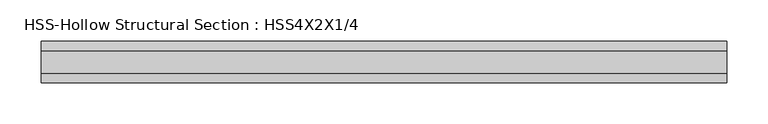
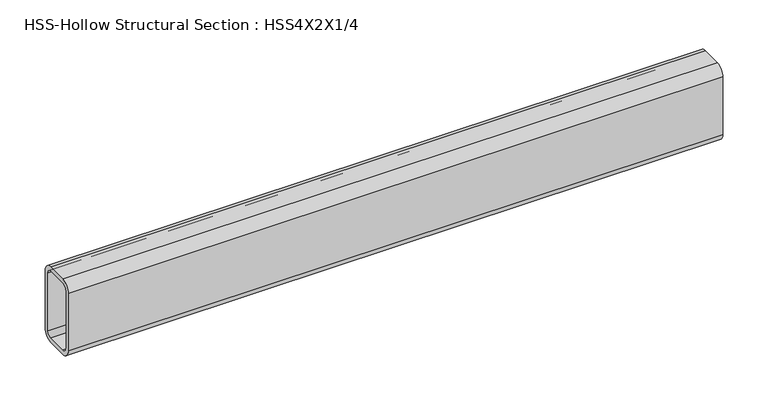
"""IFC4 building model written with IfcOpenShell, lengths in millimetres: beam geometry, HSS-Hollow Structural Section : HSS4X2X1/4."""

from ifc_helpers import new_model, si_unit, point, frame, frame_2d, origin, place, context, project, spatial, polyline, circle_curve, trimmed, segment, composite_curve, outline, extrude, source, transform, mapped, element, save


def hss_hollow_structural_section_hss4x2x1_4_ed260ea4(model_context):
    return source(origin(), model_context, "Body", "SweptSolid", [
        extrude(outline(composite_curve([segment(polyline([(25.4, 38.9636), (25.4, -38.9636)]), True, "CONTINUOUS"), segment(trimmed(circle_curve(frame_2d((13.5636, -38.9636)), 11.8364), [point((25.4, -38.9636))], [point((13.5636, -50.8))], False, "CARTESIAN"), True, "CONTINUOUS"), segment(polyline([(13.5636, -50.8), (-13.5636, -50.8)]), True, "CONTINUOUS"), segment(trimmed(circle_curve(frame_2d((-13.5636, -38.9636)), 11.8364), [point((-13.5636, -50.8))], [point((-25.4, -38.9636))], False, "CARTESIAN"), True, "CONTINUOUS"), segment(polyline([(-25.4, -38.9636), (-25.4, 38.9636)]), True, "CONTINUOUS"), segment(trimmed(circle_curve(frame_2d((-13.5636, 38.9636)), 11.8364), [point((-25.4, 38.9636))], [point((-13.5636, 50.8))], False, "CARTESIAN"), True, "CONTINUOUS"), segment(polyline([(-13.5636, 50.8), (13.5636, 50.8)]), True, "CONTINUOUS"), segment(trimmed(circle_curve(frame_2d((13.5636, 38.9636)), 11.8364), [point((13.5636, 50.8))], [point((25.4, 38.9636))], False, "CARTESIAN"), True, "CONTINUOUS")], self_intersect=False), holes=[composite_curve([segment(trimmed(circle_curve(frame_2d((-13.5636, 38.9636)), 5.9182), [point((-13.5636, 44.8818))], [point((-19.4818, 38.9636))], True, "CARTESIAN"), True, "CONTINUOUS"), segment(polyline([(-19.4818, 38.9636), (-19.4818, -38.9636)]), True, "CONTINUOUS"), segment(trimmed(circle_curve(frame_2d((-13.5636, -38.9636)), 5.9182), [point((-19.4818, -38.9636))], [point((-13.5636, -44.8818))], True, "CARTESIAN"), True, "CONTINUOUS"), segment(polyline([(-13.5636, -44.8818), (13.5636, -44.8818)]), True, "CONTINUOUS"), segment(trimmed(circle_curve(frame_2d((13.5636, -38.9636)), 5.9182), [point((13.5636, -44.8818))], [point((19.4818, -38.9636))], True, "CARTESIAN"), True, "CONTINUOUS"), segment(polyline([(19.4818, -38.9636), (19.4818, 38.9636)]), True, "CONTINUOUS"), segment(trimmed(circle_curve(frame_2d((13.5636, 38.9636)), 5.9182), [point((19.4818, 38.9636))], [point((13.5636, 44.8818))], True, "CARTESIAN"), True, "CONTINUOUS"), segment(polyline([(13.5636, 44.8818), (-13.5636, 44.8818)]), True, "CONTINUOUS")], self_intersect=False)]), frame((-417.759464, 0.0, 0.0), z_axis=(1.0, 0.0, 0.0), x_axis=(0.0, 1.0, 0.0)), (0.0, 0.0, 1.0), 835.617672),
    ])


if __name__ == "__main__":
    model = new_model("IFC4")
    model_context = context("Model", 3, world=origin())
    ifc_project = project(units=[si_unit("LENGTHUNIT", "METRE", prefix="MILLI")], contexts=[model_context])
    site = spatial("IfcSite", under=ifc_project)
    building = spatial("IfcBuilding", under=site)
    placement = place(None, origin())
    hss_hollow_structural_section_hss4x2x1_4_shape = hss_hollow_structural_section_hss4x2x1_4_ed260ea4(model_context)
    element("IfcBeam", 1, ObjectType="HSS-Hollow Structural Section : HSS4X2X1/4", at=placement, inside=building, context=model_context, shape_type="MappedRepresentation", body=[
        mapped(hss_hollow_structural_section_hss4x2x1_4_shape, transform((0.0, 0.0, 0.0), x_axis=(1.0, 0.0, 0.0), y_axis=(0.0, 1.0, 0.0), z_axis=(0.0, 0.0, 1.0))),
    ])
    save(model, "model.ifc")
